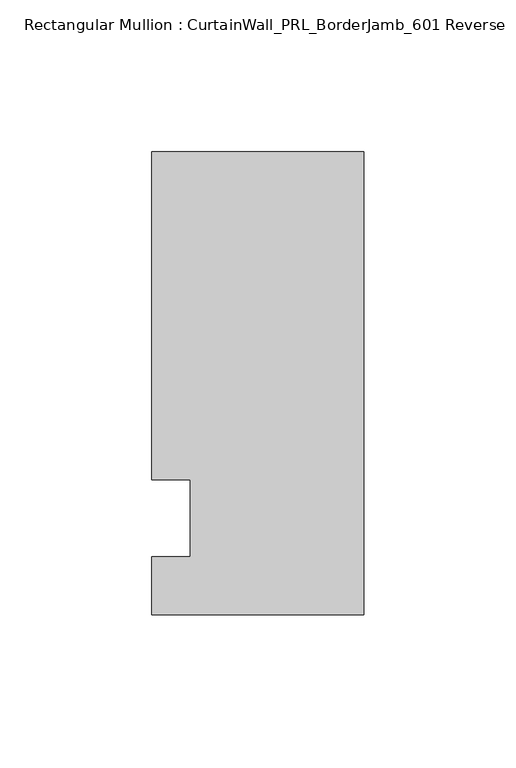
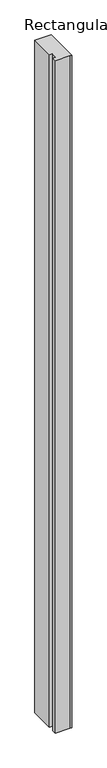
"""IFC4 building model written with IfcOpenShell, lengths in millimetres: member geometry, Rectangular Mullion : CurtainWall_PRL_BorderJamb_601 Reverse."""

from ifc_helpers import new_model, si_unit, frame, origin, place, context, project, spatial, polyline, outline, extrude, source, transform, mapped, element, save


def rectangular_mullion_curtainwall_prl_borderjamb_601_reverse_788e9fe6(model_context):
    return source(origin(), model_context, "Body", "SweptSolid", [
        extrude(outline(polyline([(-57.15, 12.7), (-69.85, 12.7), (-69.85, 120.65), (-6.35, 120.65), (0.0, 120.65), (0.0, -31.75), (-7.3958824, -31.75), (-69.85, -31.75), (-69.85, -12.7), (-57.15, -12.7), (-57.15, 12.7)])), frame((0.0, 0.0, -3048.0), z_axis=(0.0, 0.0, 1.0), x_axis=(1.0, 0.0, 0.0)), (0.0, 0.0, 1.0), 3048.0),
    ])


if __name__ == "__main__":
    model = new_model("IFC4")
    model_context = context("Model", 3, world=origin())
    ifc_project = project(units=[si_unit("LENGTHUNIT", "METRE", prefix="MILLI")], contexts=[model_context])
    site = spatial("IfcSite", under=ifc_project)
    building = spatial("IfcBuilding", under=site)
    placement = place(None, origin())
    rectangular_mullion_curtainwall_prl_borderjamb_601_reverse_shape = rectangular_mullion_curtainwall_prl_borderjamb_601_reverse_788e9fe6(model_context)
    element("IfcMember", 1, ObjectType="Rectangular Mullion : CurtainWall_PRL_BorderJamb_601 Reverse", at=placement, inside=building, context=model_context, shape_type="MappedRepresentation", body=[
        mapped(rectangular_mullion_curtainwall_prl_borderjamb_601_reverse_shape, transform((0.0, 0.0, 0.0), x_axis=(1.0, 0.0, 0.0), y_axis=(0.0, 1.0, 0.0), z_axis=(0.0, 0.0, 1.0))),
    ])
    save(model, "model.ifc")
